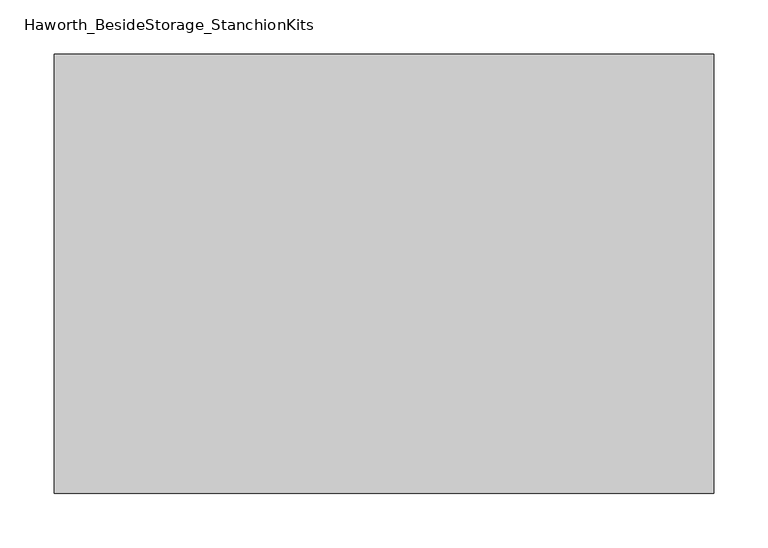
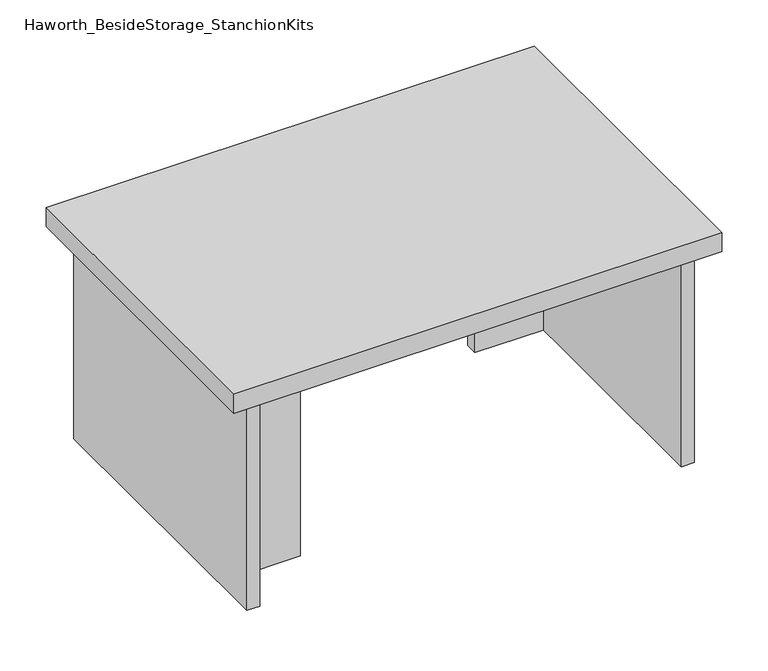
"""IFC4 building model written with IfcOpenShell, lengths in millimetres: furniture geometry, Haworth_BesideStorage_StanchionKits."""

from ifc_helpers import new_model, si_unit, frame, origin, place, context, project, spatial, polyline, outline, extrude, source, transform, mapped, element, save


def haworth_besidestorage_stanchionkits_2e8d45e1(model_context):
    return source(origin(), model_context, "Body", "SweptSolid", [
        extrude(outline(polyline([(466.725, 0.0), (466.725, -406.4), (-142.875, -406.4), (-142.875, 0.0), (466.725, 0.0)])), frame((0.0, 0.0, 711.2), z_axis=(0.0, 0.0, 1.0), x_axis=(1.0, 0.0, 0.0)), (0.0, 0.0, 1.0), 25.4),
        extrude(outline(polyline([(339.725, -76.2), (425.45, -76.2), (425.45, -92.075), (339.725, -92.075), (339.725, -76.2)])), frame((0.0, 0.0, 431.8), z_axis=(0.0, 0.0, 1.0), x_axis=(1.0, 0.0, 0.0)), (0.0, 0.0, 1.0), 279.4),
        extrude(outline(polyline([(-15.875, -314.325), (-15.875, -330.2), (-101.6, -330.2), (-101.6, -314.325), (-15.875, -314.325)])), frame((0.0, 0.0, 431.8), z_axis=(0.0, 0.0, 1.0), x_axis=(1.0, 0.0, 0.0)), (0.0, 0.0, 1.0), 279.4),
        extrude(outline(polyline([(441.325, -390.525), (425.45, -390.525), (425.45, -15.875), (441.325, -15.875), (441.325, -390.525)])), frame((0.0, 0.0, 431.8), z_axis=(0.0, 0.0, 1.0), x_axis=(1.0, 0.0, 0.0)), (0.0, 0.0, 1.0), 279.4),
        extrude(outline(polyline([(-101.6, -390.525), (-117.475, -390.525), (-117.475, -15.875), (-101.6, -15.875), (-101.6, -390.525)])), frame((0.0, 0.0, 431.8), z_axis=(0.0, 0.0, 1.0), x_axis=(1.0, 0.0, 0.0)), (0.0, 0.0, 1.0), 279.4),
    ])


if __name__ == "__main__":
    model = new_model("IFC4")
    model_context = context("Model", 3, world=origin())
    ifc_project = project(units=[si_unit("LENGTHUNIT", "METRE", prefix="MILLI")], contexts=[model_context])
    site = spatial("IfcSite", under=ifc_project)
    building = spatial("IfcBuilding", under=site)
    placement = place(None, origin())
    haworth_besidestorage_stanchionkits_shape = haworth_besidestorage_stanchionkits_2e8d45e1(model_context)
    element("IfcFurniture", 1, ObjectType="Haworth_BesideStorage_StanchionKits", at=placement, inside=building, context=model_context, shape_type="MappedRepresentation", body=[
        mapped(haworth_besidestorage_stanchionkits_shape, transform((0.0, 0.0, 0.0), x_axis=(1.0, 0.0, 0.0), y_axis=(0.0, 1.0, 0.0), z_axis=(0.0, 0.0, 1.0))),
    ])
    save(model, "model.ifc")
